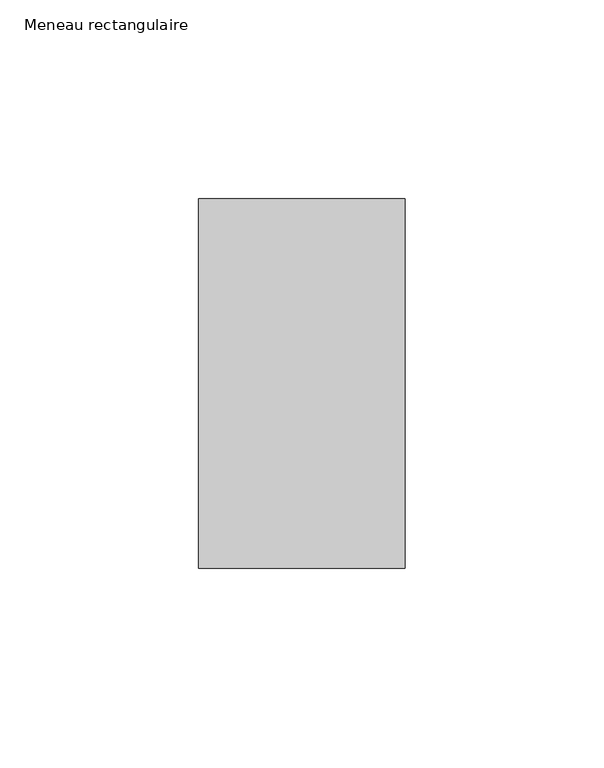
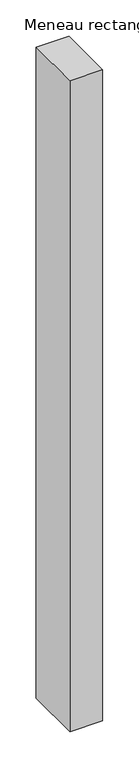
"""IFC4 building model written with IfcOpenShell, lengths in millimetres: member geometry, Meneau rectangulaire."""

from ifc_helpers import new_model, si_unit, frame, origin, place, context, project, spatial, polyline, outline, extrude, source, transform, mapped, element, save


def meneau_rectangulaire_e7490aa1(model_context):
    return source(origin(), model_context, "Body", "SweptSolid", [
        extrude(outline(polyline([(-52.0, 46.5), (0.0, 46.5), (0.0, -46.5), (-52.0, -46.5), (-52.0, 46.5)])), frame((0.0, 0.0, -1091.9999998), z_axis=(0.0, 0.0, 1.0), x_axis=(1.0, 0.0, 0.0)), (0.0, 0.0, 1.0), 1091.9999998),
    ])


if __name__ == "__main__":
    model = new_model("IFC4")
    model_context = context("Model", 3, world=origin())
    ifc_project = project(units=[si_unit("LENGTHUNIT", "METRE", prefix="MILLI")], contexts=[model_context])
    site = spatial("IfcSite", under=ifc_project)
    building = spatial("IfcBuilding", under=site)
    placement = place(None, origin())
    meneau_rectangulaire_shape = meneau_rectangulaire_e7490aa1(model_context)
    element("IfcMember", 1, ObjectType="Meneau rectangulaire", at=placement, inside=building, context=model_context, shape_type="MappedRepresentation", body=[
        mapped(meneau_rectangulaire_shape, transform((0.0, 0.0, 0.0), x_axis=(1.0, 0.0, 0.0), y_axis=(0.0, 1.0, 0.0), z_axis=(0.0, 0.0, 1.0))),
    ])
    save(model, "model.ifc")
